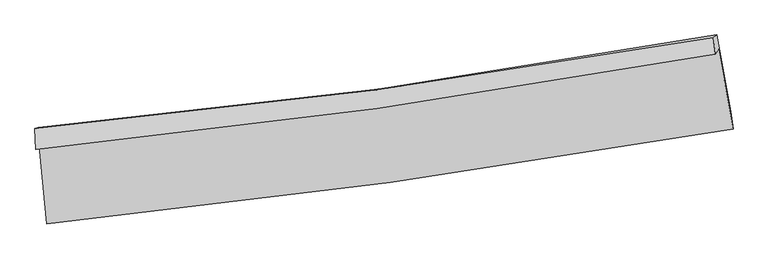
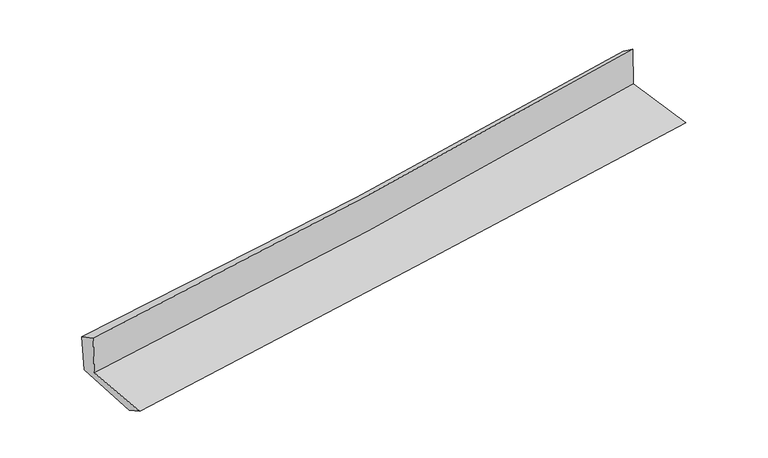
"""IFC4 building model written with IfcOpenShell, lengths in millimetres: proxy geometry."""

import ifcopenshell
import ifcopenshell.guid

model = None  # the IFC model being written
_history = None  # IfcOwnerHistory: only IFC2X3 demands one
_inside = {}  # id of a spatial element -> (the spatial element, [elements in it])
_under = {}  # id of a project, library or spatial element -> (it, [spatial elements below it])
_declared = {}  # id of a project -> (the project, [libraries it declares])
_typed = {}  # id of a type object -> (the type object, [elements of that type])
_made_of = {}  # id of a material, layer set ... -> (it, [elements and type objects made of it])


def new_model(schema):
    """Start an empty IFC model of exactly this schema.

    Asked for "IFC4X3", IfcOpenShell would pick the latest addendum, in which some entities
    have other attributes; the version numbers below select the first issue.
    IFC2X3 requires an IfcOwnerHistory on every rooted entity: one is made here for all.
    """
    global model, _history
    if schema == "IFC4X3":
        model = ifcopenshell.file(schema_version=(4, 3, 0, 0))
    else:
        model = ifcopenshell.file(schema=schema)
    _inside.clear()
    _under.clear()
    _declared.clear()
    _typed.clear()
    _made_of.clear()
    _history = None
    if model.schema == "IFC2X3":
        org = make("IfcOrganization", Name="unknown")
        user = make(
            "IfcPersonAndOrganization",
            ThePerson=make("IfcPerson", FamilyName="unknown"),
            TheOrganization=org,
        )
        app = make(
            "IfcApplication",
            ApplicationDeveloper=org,
            Version="unknown",
            ApplicationFullName="unknown",
            ApplicationIdentifier="unknown",
        )
        _history = make(
            "IfcOwnerHistory",
            OwningUser=user,
            OwningApplication=app,
            ChangeAction="ADDED",
            CreationDate=0,
        )
    return model


def make(cls, **values):
    """One entity of the class cls with the attributes given. An attribute that is None is left unset."""
    return model.create_entity(
        cls, **{name: value for name, value in values.items() if value is not None}
    )


def rooted(cls, **values):
    """An entity with a GlobalId (a new one), such as an element, a storey or a relation."""
    return make(cls, GlobalId=ifcopenshell.guid.new(), OwnerHistory=_history, **values)


def si_unit(unit_type, name, prefix=None):
    """IfcSIUnit, for example si_unit("LENGTHUNIT", "METRE", prefix="MILLI")."""
    return make("IfcSIUnit", UnitType=unit_type, Prefix=prefix, Name=name)


def assignment(units):
    """IfcUnitAssignment: the units of a project."""
    return None if units is None else make("IfcUnitAssignment", Units=units)


def point(xyz):
    """IfcCartesianPoint."""
    return None if xyz is None else make("IfcCartesianPoint", Coordinates=xyz)


def direction(xyz):
    """IfcDirection."""
    return None if xyz is None else make("IfcDirection", DirectionRatios=xyz)


def frame(location, z_axis=None, x_axis=None):
    """IfcAxis2Placement3D, a coordinate frame: its origin and axes. An axis left out is left unset."""
    return make(
        "IfcAxis2Placement3D",
        Location=point(location),
        Axis=direction(z_axis),
        RefDirection=direction(x_axis),
    )


def origin():
    """The frame at (0, 0, 0) with its axes left unset."""
    return frame((0.0, 0.0, 0.0))


def place(relative_to, where):
    """IfcLocalPlacement: puts the frame where relative to a parent placement (None: the world)."""
    return make(
        "IfcLocalPlacement", PlacementRelTo=relative_to, RelativePlacement=where
    )


def context(
    kind, dimensions, precision=None, world=None, true_north=None, identifier=None
):
    """IfcGeometricRepresentationContext, for example the 3D "Model" context."""
    return make(
        "IfcGeometricRepresentationContext",
        ContextIdentifier=identifier,
        ContextType=kind,
        CoordinateSpaceDimension=dimensions,
        Precision=precision,
        WorldCoordinateSystem=world,
        TrueNorth=true_north,
    )


def project(units=None, contexts=None):
    """IfcProject with its units and contexts."""
    return rooted(
        "IfcProject",
        Name="project",
        RepresentationContexts=contexts,
        UnitsInContext=assignment(units),
    )


def spatial(cls, under=None, at=None, **own):
    """A site, building, storey or space (cls), placed at a placement, below another one or the project."""
    s = rooted(cls, ObjectPlacement=at, **own)
    if under is not None:
        _under.setdefault(under.id(), (under, []))[1].append(s)
    return s


def shape(context_of_items, identifier, shape_type, items):
    """IfcShapeRepresentation: the items that make up one representation, for example the "Body"."""
    return make(
        "IfcShapeRepresentation",
        ContextOfItems=context_of_items,
        RepresentationIdentifier=identifier,
        RepresentationType=shape_type,
        Items=items,
    )


def source(mapping_origin, context_of_items, identifier, shape_type, items):
    """IfcRepresentationMap: a shape defined once, which mapped items show again and again."""
    return make(
        "IfcRepresentationMap",
        MappingOrigin=mapping_origin,
        MappedRepresentation=shape(context_of_items, identifier, shape_type, items),
    )


def transform(
    local_origin,
    x_axis=None,
    y_axis=None,
    z_axis=None,
    scale=None,
    scale2=None,
    scale3=None,
    uniform=True,
):
    """IfcCartesianTransformationOperator3D, or its non-uniform kind. x_axis, y_axis, z_axis: its Axis1, 2, 3."""
    if uniform:
        return make(
            "IfcCartesianTransformationOperator3D",
            Axis1=direction(x_axis),
            Axis2=direction(y_axis),
            LocalOrigin=point(local_origin),
            Scale=scale,
            Axis3=direction(z_axis),
        )
    return make(
        "IfcCartesianTransformationOperator3DnonUniform",
        Axis1=direction(x_axis),
        Axis2=direction(y_axis),
        LocalOrigin=point(local_origin),
        Scale=scale,
        Axis3=direction(z_axis),
        Scale2=scale2,
        Scale3=scale3,
    )


def mapped(mapping_source, mapping_target):
    """IfcMappedItem: shows the shape of a source again, moved by a transform."""
    return make(
        "IfcMappedItem", MappingSource=mapping_source, MappingTarget=mapping_target
    )


def made_of(thing, what):
    """Note that an element or type object is made of a material, layer set ...; save() writes the relation."""
    if what is not None:
        _made_of.setdefault(what.id(), (what, []))[1].append(thing)
    return thing


def element(
    cls,
    number,
    at=None,
    inside=None,
    cuts=None,
    type_object=None,
    material=None,
    context=None,
    identifier="Body",
    shape_type=None,
    held_by="IfcProductDefinitionShape",
    body=None,
    shapes=None,
    **own,
):
    """One element of the class cls, such as IfcWall. Its Tag is "e" and its number.

    at: its placement. inside: the storey or other place that contains it. cuts: it is an
    opening in that element (IfcRelVoidsElement). A single representation is given by context,
    identifier, shape_type and body (its items); several are given by shapes. held_by: the class
    of the entity that holds the representations. save() writes the other relations.
    """
    e = rooted(cls, Tag="e%d" % number, ObjectPlacement=at, **own)
    if body is not None:
        shapes = [shape(context, identifier, shape_type, body)]
    if shapes is not None:
        e.Representation = make(held_by, Representations=shapes)
    if inside is not None:
        _inside.setdefault(inside.id(), (inside, []))[1].append(e)
    if cuts is not None:
        rooted(
            "IfcRelVoidsElement", RelatingBuildingElement=cuts, RelatedOpeningElement=e
        )
    if type_object is not None:
        _typed.setdefault(type_object.id(), (type_object, []))[1].append(e)
    return made_of(e, material)


def aggregate(whole, parts):
    """IfcRelAggregates: a whole, such as a stair, and the parts it consists of."""
    return rooted("IfcRelAggregates", RelatingObject=whole, RelatedObjects=parts)


def save(model, path):
    """Write the relations noted so far, then the file.

    IfcRelAggregates (storeys below a building ...), IfcRelContainedInSpatialStructure (elements
    in a storey), IfcRelDefinesByType, IfcRelAssociatesMaterial and IfcRelDeclares: one each for
    every whole, place, type object, material and project.
    """
    for whole, parts in _under.values():
        aggregate(whole, parts)
    for where, things in _inside.values():
        rooted(
            "IfcRelContainedInSpatialStructure",
            RelatedElements=things,
            RelatingStructure=where,
        )
    for kind, things in _typed.values():
        rooted("IfcRelDefinesByType", RelatedObjects=things, RelatingType=kind)
    for what, things in _made_of.values():
        rooted("IfcRelAssociatesMaterial", RelatedObjects=things, RelatingMaterial=what)
    for by, libraries in _declared.values():
        rooted("IfcRelDeclares", RelatingContext=by, RelatedDefinitions=libraries)
    model.write(path)


def plane_surface(at):
    """IfcPlane: the flat surface through the origin of the frame at, square to its z axis."""
    return make("IfcPlane", Position=at)


def spline_curve(degree, points, multiplicities, knots, weights=None):
    """IfcBSplineCurveWithKnots; with weights, IfcRationalBSplineCurveWithKnots."""
    own = dict(
        Degree=degree,
        ControlPointsList=[point(p) for p in points],
        CurveForm="UNSPECIFIED",
        ClosedCurve=False,
        SelfIntersect=False,
        KnotMultiplicities=multiplicities,
        Knots=knots,
        KnotSpec="UNSPECIFIED",
    )
    if weights is None:
        return make("IfcBSplineCurveWithKnots", **own)
    return make("IfcRationalBSplineCurveWithKnots", WeightsData=weights, **own)


def spline_surface(u_degree, v_degree, points, u_multiplicities, v_multiplicities, u_knots, v_knots, weights=None):
    """IfcBSplineSurfaceWithKnots; with weights, IfcRationalBSplineSurfaceWithKnots. points: one row for each step in u."""
    own = dict(
        UDegree=u_degree,
        VDegree=v_degree,
        ControlPointsList=[[point(p) for p in row] for row in points],
        SurfaceForm="UNSPECIFIED",
        UClosed=False,
        VClosed=False,
        SelfIntersect=False,
        UMultiplicities=u_multiplicities,
        VMultiplicities=v_multiplicities,
        UKnots=u_knots,
        VKnots=v_knots,
        KnotSpec="UNSPECIFIED",
    )
    if weights is None:
        return make("IfcBSplineSurfaceWithKnots", **own)
    return make("IfcRationalBSplineSurfaceWithKnots", WeightsData=weights, **own)


def advanced_brep(points, edges, surfaces, faces):
    """IfcAdvancedBrep: a solid bounded by faces that lie on surfaces and meet in shared edges.

    An edge is (start, end): straight between two places in points (the first is 0);
    or (start, end, curve); or (start, end, curve, False) where it runs against its curve.
    A face is (place in surfaces, loops), or (place, loops, False) where it looks against
    its surface's normal. A loop lists edges by number (the first is 1), with a minus sign
    where the edge is run from its end to its start. The first loop is the outer one.
    """
    corners = [point(p) for p in points]
    vertices = [make("IfcVertexPoint", VertexGeometry=c) for c in corners]
    made = []
    for start, end, *more in edges:
        made.append(
            make(
                "IfcEdgeCurve",
                EdgeStart=vertices[start],
                EdgeEnd=vertices[end],
                EdgeGeometry=more[0] if more else make("IfcPolyline", Points=[corners[start], corners[end]]),
                SameSense=more[1] if len(more) > 1 else True,
            )
        )
    hull = []
    for where, loops, *sense in faces:
        bounds = []
        for j, loop in enumerate(loops):
            ring = [make("IfcOrientedEdge", EdgeElement=made[abs(k) - 1], Orientation=k > 0) for k in loop]
            bounds.append(
                make(
                    "IfcFaceOuterBound" if j == 0 else "IfcFaceBound",
                    Bound=make("IfcEdgeLoop", EdgeList=ring),
                    Orientation=True,
                )
            )
        hull.append(make("IfcAdvancedFace", Bounds=bounds, FaceSurface=surfaces[where], SameSense=sense[0] if sense else True))
    return make("IfcAdvancedBrep", Outer=make("IfcClosedShell", CfsFaces=hull))


def generic_models_c6cce77a(model_context):
    return source(origin(), model_context, "Body", "AdvancedBrep", [
        advanced_brep(
        [(-2994.6191386, -1889.1859776, 1630.4926626), (-2931.241656, -2571.7416999, 1612.0432538), (3069.5406463, -1739.9542383, 2087.3849225), (2942.2506469, -1042.2167721, 2126.3680554), (-3023.739562, -1920.0487908, 2026.7606505), (2914.7195634, -1083.3140132, 2528.6402317), (-3032.9147605, -1736.7314224, 1934.3039585), (2898.1094457, -941.9346289, 2430.4892175), (-3004.3227353, -1729.3407622, 1571.0191582), (2925.6769159, -916.1630064, 2059.2321564), (-2939.1708996, -2404.2372363, 1521.9192533), (3050.1730426, -1587.872111, 1999.1288752)],
        [
            (0, 1),
            (1, 2, spline_curve(3, [(-2931.241656, -2571.7416999, 1612.0432538), (-1928.099777849, -2466.981106672, 1714.76273831), (-926.192930188, -2345.238359185, 1805.749419848), (1074.065159309, -2067.939046613, 1964.17120036), (2072.419078798, -1912.419307023, 2031.631742141), (3069.5406463, -1739.9542383, 2087.3849225)], [4, 2, 4], [0.0, 9.927748640280404, 19.844727485307807])),
            (2, 3),
            (3, 0, spline_curve(3, [(2942.2506469, -1042.2167721, 2126.3680554), (1959.22066437, -1227.602617355, 2052.142060713), (973.236624494, -1390.850023722, 1973.73081234), (-1005.713550701, -1673.221202794, 1808.448110225), (-1998.686106497, -1792.296864952, 1721.567560797), (-2994.6191386, -1889.1859776, 1630.4926626)], [4, 2, 4], [0.0, 9.916978845027403, 19.844727485307807])),
            (4, 0),
            (3, 5),
            (5, 4, spline_curve(3, [(2914.7195634, -1083.3140132, 2528.6402317), (1930.637706335, -1263.911429004, 2456.148885917), (943.995142756, -1423.911377738, 2378.105627076), (-1035.485667741, -1702.867731942, 2210.824498536), (-2028.329479109, -1821.779375622, 2121.574563828), (-3023.739562, -1920.0487908, 2026.7606505)], [4, 2, 4], [0.0, 9.86913576278749, 19.748989363451845])),
            (6, 4),
            (5, 7),
            (7, 6, spline_curve(3, [(2898.1094457, -941.9346289, 2430.4892175), (1915.608905124, -1114.777151174, 2347.800758257), (930.376333171, -1267.406509194, 2265.1301874), (-1046.625798569, -1532.382700208, 2099.735061951), (-2038.401295291, -1644.685606685, 2017.010546705), (-3032.9147605, -1736.7314224, 1934.3039585)], [4, 2, 4], [0.0, 9.858205772579769, 19.727117513115278])),
            (8, 6),
            (7, 9),
            (9, 8, spline_curve(3, [(2925.6769159, -916.1630064, 2059.2321564), (1943.891307496, -1098.379962862, 1984.408318607), (959.101682653, -1257.229166758, 1906.335826789), (-1017.558339187, -1528.3392007, 1743.605220805), (-2009.435265023, -1640.549248815, 1658.940046303), (-3004.3227353, -1729.3407622, 1571.0191582)], [4, 2, 4], [0.0, 9.848152332571319, 19.706999715106907])),
            (10, 8),
            (9, 11),
            (11, 10, spline_curve(3, [(3050.1730426, -1587.872111, 1999.1288752), (2058.415562563, -1770.40420043, 1920.608801356), (1063.697304827, -1929.676381901, 1841.60314172), (-932.744241656, -2201.848637828, 1682.534323138), (-1934.473964394, -2314.698164922, 1602.470108879), (-2939.1708996, -2404.2372363, 1521.9192533)], [4, 2, 4], [0.0, 9.89687947528216, 19.804506917990494])),
            (1, 10),
            (11, 2),
        ],
        [
            spline_surface(3, 3, [[(-2994.6191386, -1889.1859776, 1630.4926626), (-1998.68610638, -1792.296864854, 1721.567560668), (-1005.713550858, -1673.221202816, 1808.448110115), (973.236624651, -1390.8500237, 1973.730812449), (1959.220664272, -1227.602617263, 2052.142060597), (2942.2506469, -1042.2167721, 2126.3680554)], [(-2973.493311068, -2116.704551691, 1624.342859688), (-1975.157330258, -2017.19161208, 1719.299286551), (-979.2066773, -1897.226921555, 1807.548546646), (1006.846136147, -1616.546364718, 1970.54427513), (1996.953469085, -1455.874847207, 2045.305287723), (2984.68064669, -1274.795927512, 2113.373677765)], [(-2952.367483532, -2344.223125809, 1618.193056712), (-1951.628554132, -2242.086359333, 1717.031012369), (-952.69980366, -2121.2326403, 1806.64898318), (1040.455647726, -1842.242705741, 1967.357737815), (2034.68627393, -1684.147077115, 2038.468514854), (3027.11064651, -1507.375082888, 2100.379300135)], [(-2931.241656, -2571.7416999, 1612.0432538), (-1928.099778009, -2466.981106559, 1714.762738252), (-926.192930102, -2345.23835904, 1805.74941971), (1074.065159223, -2067.939046759, 1964.171200497), (2072.419078744, -1912.41930706, 2031.63174198), (3069.5406463, -1739.9542383, 2087.3849225)]], [4, 4], [4, 2, 4], [0.0, 2.232864175243171], [0.0, 9.927748640280404, 19.844727485307807]),
            spline_surface(3, 3, [[(-3023.739562, -1920.0487908, 2026.7606505), (-2028.329479158, -1821.779375757, 2121.574563828), (-1035.485667637, -1702.86773201, 2210.824498563), (943.995142652, -1423.91137767, 2378.105627049), (1930.637706248, -1263.91142888, 2456.148886033), (2914.7195634, -1083.3140132, 2528.6402317)], [(-3014.032754195, -1909.761186415, 1894.671321204), (-2018.448354894, -1811.951872138, 1988.238896112), (-1025.561628707, -1692.985555606, 2076.699035744), (953.742303323, -1412.890926341, 2243.314022179), (1940.165358931, -1251.808491676, 2321.479944219), (2923.896591242, -1069.614932835, 2394.549506265)], [(-3004.325946405, -1899.473581985, 1762.581991896), (-2008.567230644, -1802.124368473, 1854.903228385), (-1015.637589789, -1683.10337922, 1942.573572934), (963.48946398, -1401.870475029, 2108.522417318), (1949.693011589, -1239.705554467, 2186.81100241), (2933.073619058, -1055.915852465, 2260.458780835)], [(-2994.6191386, -1889.1859776, 1630.4926626), (-1998.68610638, -1792.296864854, 1721.567560668), (-1005.713550858, -1673.221202816, 1808.448110115), (973.236624651, -1390.8500237, 1973.730812449), (1959.220664272, -1227.602617263, 2052.142060597), (2942.2506469, -1042.2167721, 2126.3680554)]], [4, 4], [4, 2, 4], [0.0, 1.3309240570456737], [0.0, 9.879853600664354, 19.748989363451845]),
            spline_surface(3, 3, [[(-3032.9147605, -1736.7314224, 1934.3039585), (-2038.401295327, -1644.685606751, 2017.010546608), (-1046.625798477, -1532.382700263, 2099.735062072), (930.376333079, -1267.406509139, 2265.13018728), (1915.608904978, -1114.77715107, 2347.800758149), (2898.1094457, -941.9346289, 2430.4892175)], [(-3029.856361027, -1797.837211868, 1965.12285582), (-2035.044023298, -1703.716863088, 2051.865219001), (-1042.91242151, -1589.211044177, 2136.764874237), (934.915936291, -1319.574798646, 2302.788667204), (1920.61850539, -1164.488576981, 2383.916800771), (2903.646151589, -989.061090308, 2463.206222227)], [(-3026.797961473, -1858.943001332, 1995.94175318), (-2031.686751187, -1762.74811942, 2086.719891435), (-1039.199044605, -1646.039388097, 2173.794686398), (939.45553944, -1371.743088162, 2340.447147125), (1925.628105836, -1214.200002969, 2420.032843411), (2909.182857511, -1036.187551792, 2495.923226973)], [(-3023.739562, -1920.0487908, 2026.7606505), (-2028.329479158, -1821.779375757, 2121.574563828), (-1035.485667637, -1702.86773201, 2210.824498563), (943.995142652, -1423.91137767, 2378.105627049), (1930.637706248, -1263.91142888, 2456.148886033), (2914.7195634, -1083.3140132, 2528.6402317)]], [4, 4], [4, 2, 4], [0.0, 0.6515365941144197], [0.0, 9.86891174053551, 19.727117513115278]),
            spline_surface(3, 3, [[(-3004.3227353, -1729.3407622, 1571.0191582), (-2009.435264919, -1640.549248966, 1658.940046407), (-1017.558339339, -1528.339200746, 1743.605220703), (959.101682805, -1257.229166711, 1906.335826891), (1943.891307656, -1098.379962976, 1984.40831866), (2925.6769159, -916.1630064, 2059.2321564)], [(-3013.853410359, -1731.804315596, 1692.114091621), (-2019.090608381, -1641.92803489, 1778.296879794), (-1027.247492414, -1529.687033916, 1862.315167829), (949.526566201, -1260.621614184, 2025.933947024), (1934.463840111, -1103.845692354, 2105.539131809), (2916.487759181, -924.753547247, 2182.984510086)], [(-3023.384085441, -1734.267869004, 1813.209025079), (-2028.745951865, -1643.306820827, 1897.65371322), (-1036.936645403, -1531.034867094, 1981.025114945), (939.951449682, -1264.014061666, 2145.532067147), (1925.036372523, -1109.311421692, 2226.669944999), (2907.298602419, -933.344088053, 2306.736863814)], [(-3032.9147605, -1736.7314224, 1934.3039585), (-2038.401295327, -1644.685606751, 2017.010546608), (-1046.625798477, -1532.382700263, 2099.735062072), (930.376333079, -1267.406509139, 2265.13018728), (1915.608904978, -1114.77715107, 2347.800758149), (2898.1094457, -941.9346289, 2430.4892175)]], [4, 4], [4, 2, 4], [0.0, 1.176827920490347], [0.0, 9.858847382535588, 19.706999715106907]),
            spline_surface(3, 3, [[(-2939.1708996, -2404.2372363, 1521.9192533), (-1934.473964534, -2314.698164927, 1602.470108809), (-932.744241646, -2201.848637962, 1682.534323078), (1063.697304817, -1929.676381767, 1841.60314178), (2058.415562651, -1770.404200329, 1920.608801485), (3050.1730426, -1587.872111, 1999.1288752)], [(-2960.888178162, -2179.271744924, 1538.285888278), (-1959.461064658, -2089.981859598, 1621.293421353), (-961.015607536, -1977.345492208, 1702.891288968), (1028.832097488, -1705.527310066, 1863.180703498), (2020.24081097, -1546.396121228, 1941.875307227), (3008.674333683, -1363.96907615, 2019.163302283)], [(-2982.605456738, -1954.306253576, 1554.652523222), (-1984.448164795, -1865.265554295, 1640.116733863), (-989.28697345, -1752.8423465, 1723.248254813), (993.966890134, -1481.378238412, 1884.758265173), (1982.066059338, -1322.388042077, 1963.141812918), (2967.175624817, -1140.06604125, 2039.197729317)], [(-3004.3227353, -1729.3407622, 1571.0191582), (-2009.435264919, -1640.549248966, 1658.940046407), (-1017.558339339, -1528.339200746, 1743.605220703), (959.101682805, -1257.229166711, 1906.335826891), (1943.891307656, -1098.379962976, 1984.40831866), (2925.6769159, -916.1630064, 2059.2321564)]], [4, 4], [4, 2, 4], [0.0, 2.2392158086511906], [0.0, 9.907627442708334, 19.804506917990494]),
            spline_surface(3, 3, [[(-2931.241656, -2571.7416999, 1612.0432538), (-1928.099778009, -2466.981106559, 1714.762738252), (-926.192930102, -2345.23835904, 1805.74941971), (1074.065159223, -2067.939046759, 1964.171200497), (2072.419078744, -1912.41930706, 2031.63174198), (3069.5406463, -1739.9542383, 2087.3849225)], [(-2933.884737188, -2515.906878706, 1582.00192029), (-1930.224506839, -2416.220126021, 1677.331861761), (-928.376700595, -2297.441785376, 1764.677720817), (1070.609207776, -2021.85149179, 1923.315180909), (2067.751240062, -1865.080938131, 1994.624095155), (3063.084778415, -1689.260195848, 2057.966240073)], [(-2936.527818412, -2460.072057494, 1551.96058681), (-1932.349235704, -2365.459145465, 1639.9009853), (-930.560471153, -2249.645211626, 1723.606021971), (1067.153256264, -1975.763936735, 1882.459161368), (2063.083401334, -1817.742569257, 1957.61644831), (3056.628910485, -1638.566153452, 2028.547557627)], [(-2939.1708996, -2404.2372363, 1521.9192533), (-1934.473964534, -2314.698164927, 1602.470108809), (-932.744241646, -2201.848637962, 1682.534323078), (1063.697304817, -1929.676381767, 1841.60314178), (2058.415562651, -1770.404200329, 1920.608801485), (3050.1730426, -1587.872111, 1999.1288752)]], [4, 4], [4, 2, 4], [0.0, 0.6138481705951434], [0.0, 9.96557191858935, 19.92033301057227]),
            plane_surface(frame((2966.7450435, -1218.575795, 2205.2072431), z_axis=(0.9810351935729302, 0.17422702246874883, 0.08494052986059014), x_axis=(-0.07387373158164186, -0.06906132173814095, 0.9948734621156525))),
            plane_surface(frame((-2987.6681253, -2041.8809815, 1716.0898228), z_axis=(-0.9927250384685129, -0.09001630778177945, -0.07996288095751476), x_axis=(-0.09242202447891631, 0.995356380334125, 0.026904377327257072))),
        ],
        [
            (0, [[1, 2, 3, 4]]),
            (1, [[5, -4, 6, 7]]),
            (2, [[8, -7, 9, 10]]),
            (3, [[11, -10, 12, 13]]),
            (4, [[14, -13, 15, 16]]),
            (5, [[17, -16, 18, -2]]),
            (6, [[-12, -9, -6, -3, -18, -15]]),
            (7, [[-1, -5, -8, -11, -14, -17]]),
        ],
    ),
    ])


if __name__ == "__main__":
    model = new_model("IFC4")
    model_context = context("Model", 3, world=origin())
    ifc_project = project(units=[si_unit("LENGTHUNIT", "METRE", prefix="MILLI")], contexts=[model_context])
    site = spatial("IfcSite", under=ifc_project)
    building = spatial("IfcBuilding", under=site)
    placement = place(None, origin())
    generic_models_shape = generic_models_c6cce77a(model_context)
    element("IfcBuildingElementProxy", 1, Name="Generic Models", at=placement, inside=building, context=model_context, shape_type="MappedRepresentation", body=[
        mapped(generic_models_shape, transform((0.0, 0.0, 0.0), x_axis=(1.0, 0.0, 0.0), y_axis=(0.0, 1.0, 0.0), z_axis=(0.0, 0.0, 1.0))),
    ])
    save(model, "model.ifc")
